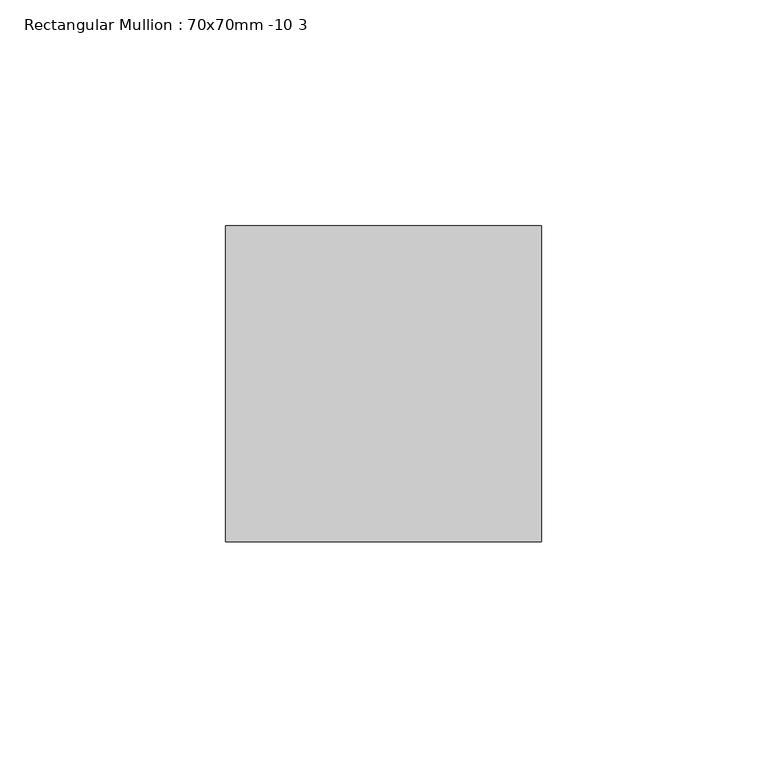
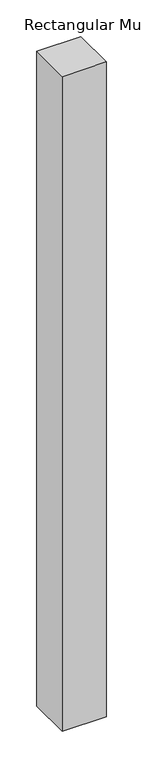
"""IFC4 building model written with IfcOpenShell, lengths in millimetres: member geometry, Rectangular Mullion : 70x70mm -10 3."""

from ifc_helpers import new_model, si_unit, frame, origin, place, context, project, spatial, polyline, outline, extrude, source, transform, mapped, element, save


def rectangular_mullion_70x70mm_10_3_648d9fb7(model_context):
    return source(origin(), model_context, "Body", "SweptSolid", [
        extrude(outline(polyline([(35.0, 45.0), (35.0, -25.0), (-35.0, -25.0), (-35.0, 45.0), (35.0, 45.0)])), frame((0.0, 0.0, -1094.6514832), z_axis=(0.0, 0.0, 1.0), x_axis=(1.0, 0.0, 0.0)), (0.0, 0.0, 1.0), 1094.6514832),
    ])


if __name__ == "__main__":
    model = new_model("IFC4")
    model_context = context("Model", 3, world=origin())
    ifc_project = project(units=[si_unit("LENGTHUNIT", "METRE", prefix="MILLI")], contexts=[model_context])
    site = spatial("IfcSite", under=ifc_project)
    building = spatial("IfcBuilding", under=site)
    placement = place(None, origin())
    rectangular_mullion_70x70mm_10_3_shape = rectangular_mullion_70x70mm_10_3_648d9fb7(model_context)
    element("IfcMember", 1, ObjectType="Rectangular Mullion : 70x70mm -10 3", at=placement, inside=building, context=model_context, shape_type="MappedRepresentation", body=[
        mapped(rectangular_mullion_70x70mm_10_3_shape, transform((0.0, 0.0, 0.0), x_axis=(1.0, 0.0, 0.0), y_axis=(0.0, 1.0, 0.0), z_axis=(0.0, 0.0, 1.0))),
    ])
    save(model, "model.ifc")
